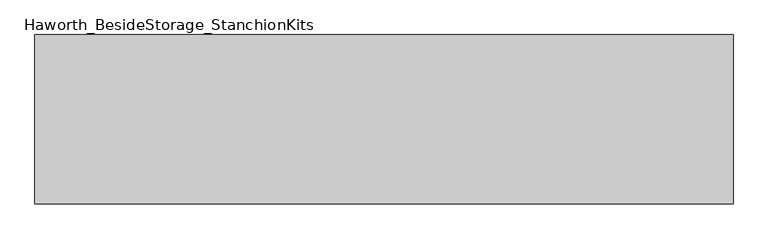
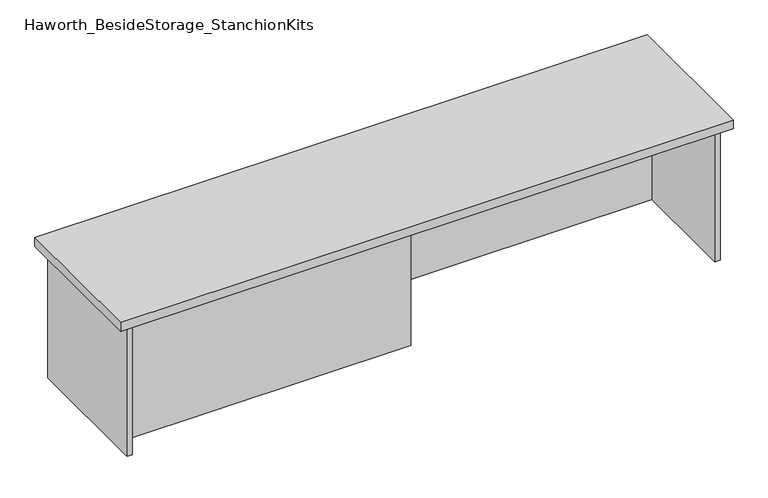
"""IFC4 building model written with IfcOpenShell, lengths in millimetres: furniture geometry, Haworth_BesideStorage_StanchionKits."""

from ifc_helpers import new_model, si_unit, frame, origin, place, context, project, spatial, polyline, outline, extrude, source, transform, mapped, element, save


def haworth_besidestorage_stanchionkits_39349444(model_context):
    return source(origin(), model_context, "Body", "SweptSolid", [
        extrude(outline(polyline([(1000.125, 0.0), (1000.125, -406.4), (-676.275, -406.4), (-676.275, 0.0), (1000.125, 0.0)])), frame((0.0, 0.0, 812.8), z_axis=(0.0, 0.0, 1.0), x_axis=(1.0, 0.0, 0.0)), (0.0, 0.0, 1.0), 25.4),
        extrude(outline(polyline([(161.925, -76.2), (958.85, -76.2), (958.85, -92.075), (161.925, -92.075), (161.925, -76.2)])), frame((0.0, 0.0, 431.8), z_axis=(0.0, 0.0, 1.0), x_axis=(1.0, 0.0, 0.0)), (0.0, 0.0, 1.0), 381.0),
        extrude(outline(polyline([(161.925, -314.325), (161.925, -330.2), (-635.0, -330.2), (-635.0, -314.325), (161.925, -314.325)])), frame((0.0, 0.0, 431.8), z_axis=(0.0, 0.0, 1.0), x_axis=(1.0, 0.0, 0.0)), (0.0, 0.0, 1.0), 381.0),
        extrude(outline(polyline([(974.725, -390.525), (958.85, -390.525), (958.85, -15.875), (974.725, -15.875), (974.725, -390.525)])), frame((0.0, 0.0, 431.8), z_axis=(0.0, 0.0, 1.0), x_axis=(1.0, 0.0, 0.0)), (0.0, 0.0, 1.0), 381.0),
        extrude(outline(polyline([(-635.0, -390.525), (-650.875, -390.525), (-650.875, -15.875), (-635.0, -15.875), (-635.0, -390.525)])), frame((0.0, 0.0, 431.8), z_axis=(0.0, 0.0, 1.0), x_axis=(1.0, 0.0, 0.0)), (0.0, 0.0, 1.0), 381.0),
    ])


if __name__ == "__main__":
    model = new_model("IFC4")
    model_context = context("Model", 3, world=origin())
    ifc_project = project(units=[si_unit("LENGTHUNIT", "METRE", prefix="MILLI")], contexts=[model_context])
    site = spatial("IfcSite", under=ifc_project)
    building = spatial("IfcBuilding", under=site)
    placement = place(None, origin())
    haworth_besidestorage_stanchionkits_shape = haworth_besidestorage_stanchionkits_39349444(model_context)
    element("IfcFurniture", 1, ObjectType="Haworth_BesideStorage_StanchionKits", at=placement, inside=building, context=model_context, shape_type="MappedRepresentation", body=[
        mapped(haworth_besidestorage_stanchionkits_shape, transform((0.0, 0.0, 0.0), x_axis=(1.0, 0.0, 0.0), y_axis=(0.0, 1.0, 0.0), z_axis=(0.0, 0.0, 1.0))),
    ])
    save(model, "model.ifc")
